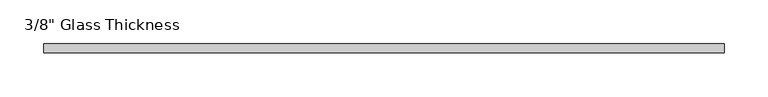
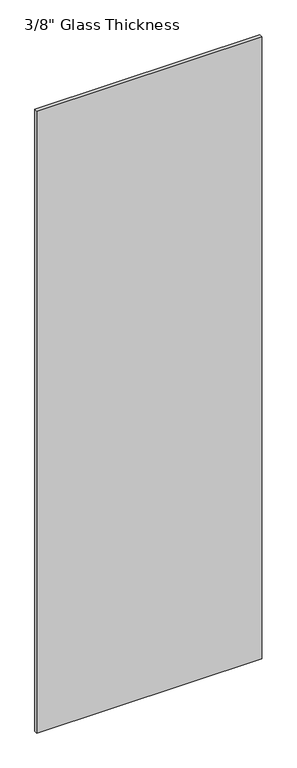
"""IFC4 building model written with IfcOpenShell, lengths in millimetres: plate geometry."""

from ifc_helpers import new_model, si_unit, origin, origin_with_axes, place, context, project, spatial, polyline, outline, extrude, source, transform, mapped, element, save


def plate_1846afff(model_context):
    return source(origin(), model_context, "Body", "SweptSolid", [
        extrude(outline(polyline([(388.0, 0.0), (-388.0, 0.0), (-388.0, 10.0), (388.0, 10.0), (388.0, 0.0)])), origin_with_axes(), (0.0, 0.0, 1.0), 2267.0),
    ])


if __name__ == "__main__":
    model = new_model("IFC4")
    model_context = context("Model", 3, world=origin())
    ifc_project = project(units=[si_unit("LENGTHUNIT", "METRE", prefix="MILLI")], contexts=[model_context])
    site = spatial("IfcSite", under=ifc_project)
    building = spatial("IfcBuilding", under=site)
    placement = place(None, origin())
    plate_shape = plate_1846afff(model_context)
    element("IfcPlate", 1, ObjectType="3/8\" Glass Thickness", at=placement, inside=building, context=model_context, shape_type="MappedRepresentation", body=[
        mapped(plate_shape, transform((0.0, 0.0, 0.0), x_axis=(1.0, 0.0, 0.0), y_axis=(0.0, 1.0, 0.0), z_axis=(0.0, 0.0, 1.0))),
    ])
    save(model, "model.ifc")
